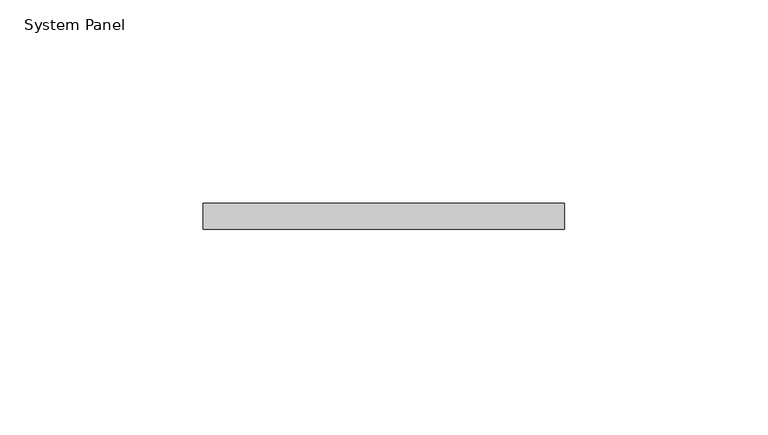
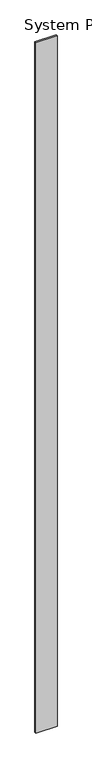
"""IFC4 building model written with IfcOpenShell, lengths in millimetres: plate geometry, System Panel."""

from ifc_helpers import new_model, si_unit, origin, origin_with_axes, place, context, project, spatial, polyline, outline, extrude, source, transform, mapped, element, save


def system_panel_bac9280c(model_context):
    return source(origin(), model_context, "Body", "SweptSolid", [
        extrude(outline(polyline([(44.45, 0.0), (-44.45, 0.0), (-44.45, 6.35), (44.45, 6.35), (44.45, 0.0)])), origin_with_axes(), (0.0, 0.0, 1.0), 3048.0),
    ])


if __name__ == "__main__":
    model = new_model("IFC4")
    model_context = context("Model", 3, world=origin())
    ifc_project = project(units=[si_unit("LENGTHUNIT", "METRE", prefix="MILLI")], contexts=[model_context])
    site = spatial("IfcSite", under=ifc_project)
    building = spatial("IfcBuilding", under=site)
    placement = place(None, origin())
    system_panel_shape = system_panel_bac9280c(model_context)
    element("IfcPlate", 1, ObjectType="System Panel", at=placement, inside=building, context=model_context, shape_type="MappedRepresentation", body=[
        mapped(system_panel_shape, transform((0.0, 0.0, 0.0), x_axis=(1.0, 0.0, 0.0), y_axis=(0.0, 1.0, 0.0), z_axis=(0.0, 0.0, 1.0))),
    ])
    save(model, "model.ifc")
